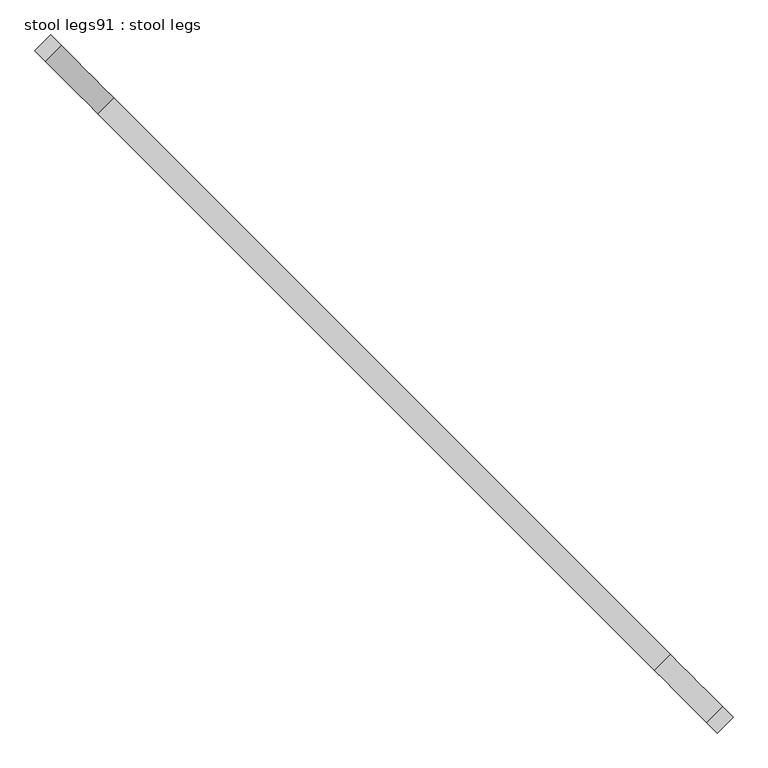
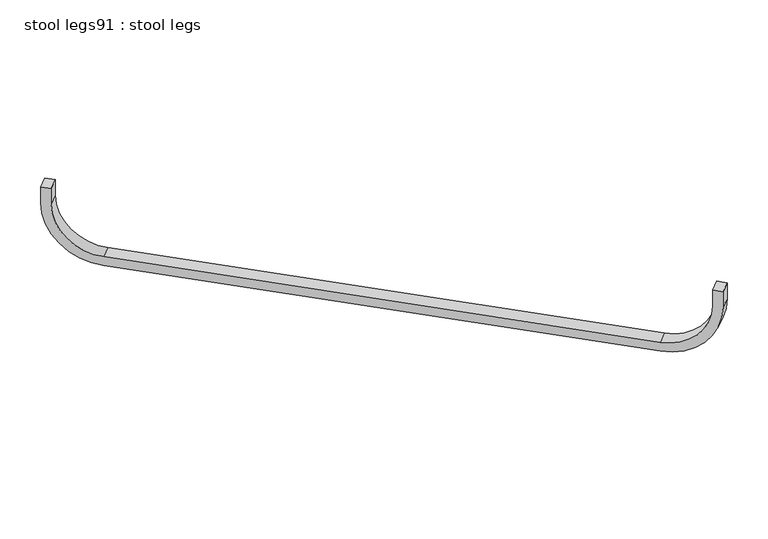
"""IFC4 building model written with IfcOpenShell, lengths in millimetres: furniture geometry, stool legs91 : stool legs."""

from ifc_helpers import new_model, si_unit, point, frame, frame_2d, origin, place, context, project, spatial, polyline, circle_curve, trimmed, segment, composite_curve, outline, extrude, source, transform, mapped, element, save


def stool_legs91_stool_legs_6c532157(model_context):
    return source(origin(), model_context, "Body", "SweptSolid", [
        extrude(outline(composite_curve([segment(polyline([(0.0, 254.0), (-44.45, 254.0), (-44.45, 279.4000001), (0.0, 279.4000001)]), True, "CONTINUOUS"), segment(trimmed(circle_curve(frame_2d((0.0, 127.0)), 152.4), [point((0.0, 279.4000001))], [point((152.4, 127.0))], False, "CARTESIAN"), True, "CONTINUOUS"), segment(polyline([(152.4, 127.0), (152.4, -1219.2)]), True, "CONTINUOUS"), segment(trimmed(circle_curve(frame_2d((0.0, -1219.2)), 152.4), [point((152.4, -1219.2))], [point((0.0, -1371.6))], False, "CARTESIAN"), True, "CONTINUOUS"), segment(polyline([(0.0, -1371.6), (-44.45, -1371.6), (-44.45, -1346.2), (0.0, -1346.2)]), True, "CONTINUOUS"), segment(trimmed(circle_curve(frame_2d((0.0, -1219.2)), 127.0), [point((0.0, -1346.2))], [point((127.0, -1219.2))], True, "CARTESIAN"), True, "CONTINUOUS"), segment(polyline([(127.0, -1219.2), (127.0, 127.0)]), True, "CONTINUOUS"), segment(trimmed(circle_curve(frame_2d((0.0, 127.0)), 127.0), [point((127.0, 127.0))], [point((0.0, 254.0))], True, "CARTESIAN"), True, "CONTINUOUS")], self_intersect=False)), frame((-233857.0190141, -36379.9643876, 412.75), z_axis=(0.7071067811865763, 0.7071067811865187, 0.0), x_axis=(0.0, 0.0, -1.0)), (0.0, 0.0, 1.0), 38.1),
    ])


if __name__ == "__main__":
    model = new_model("IFC4")
    model_context = context("Model", 3, world=origin())
    ifc_project = project(units=[si_unit("LENGTHUNIT", "METRE", prefix="MILLI")], contexts=[model_context])
    site = spatial("IfcSite", under=ifc_project)
    building = spatial("IfcBuilding", under=site)
    placement = place(None, origin())
    stool_legs91_stool_legs_shape = stool_legs91_stool_legs_6c532157(model_context)
    element("IfcFurniture", 1, ObjectType="stool legs91 : stool legs", at=placement, inside=building, context=model_context, shape_type="MappedRepresentation", body=[
        mapped(stool_legs91_stool_legs_shape, transform((0.0, 0.0, 0.0), x_axis=(1.0, 0.0, 0.0), y_axis=(0.0, 1.0, 0.0), z_axis=(0.0, 0.0, 1.0))),
    ])
    save(model, "model.ifc")
